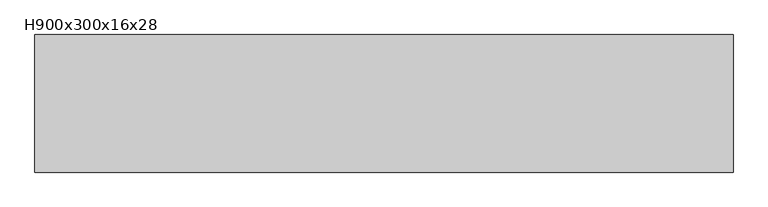
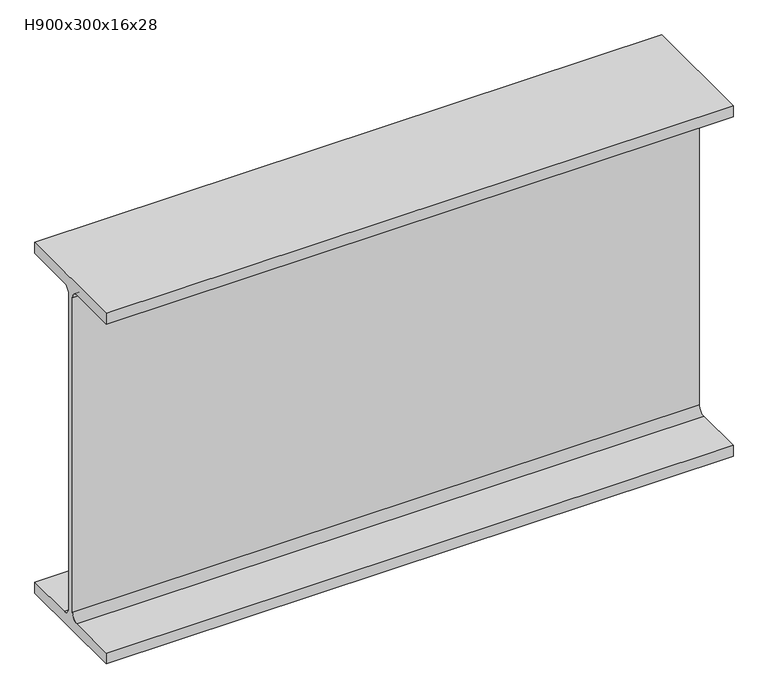
"""IFC4 building model written with IfcOpenShell, lengths in millimetres: beam geometry, H900x300x16x28."""

from ifc_helpers import new_model, si_unit, point, frame, frame_2d, origin, place, context, project, spatial, polyline, circle_curve, trimmed, segment, composite_curve, outline, extrude, source, transform, mapped, element, save


def h900x300x16x28_71f04051(model_context):
    return source(origin(), model_context, "Body", "SweptSolid", [
        extrude(outline(composite_curve([segment(polyline([(150.0, -422.0), (150.0, -450.0), (-150.0, -450.0), (-150.0, -422.0), (-26.0, -422.0)]), True, "CONTINUOUS"), segment(trimmed(circle_curve(frame_2d((-26.0, -404.0)), 18.0), [point((-26.0, -422.0))], [point((-8.0, -404.0))], True, "CARTESIAN"), True, "CONTINUOUS"), segment(polyline([(-8.0, -404.0), (-8.0, 404.0)]), True, "CONTINUOUS"), segment(trimmed(circle_curve(frame_2d((-26.0, 404.0)), 18.0), [point((-8.0, 404.0))], [point((-26.0, 422.0))], True, "CARTESIAN"), True, "CONTINUOUS"), segment(polyline([(-26.0, 422.0), (-150.0, 422.0), (-150.0, 450.0), (150.0, 450.0), (150.0, 422.0), (26.0, 422.0)]), True, "CONTINUOUS"), segment(trimmed(circle_curve(frame_2d((26.0, 404.0)), 18.0), [point((26.0, 422.0))], [point((8.0, 404.0))], True, "CARTESIAN"), True, "CONTINUOUS"), segment(polyline([(8.0, 404.0), (8.0, -404.0)]), True, "CONTINUOUS"), segment(trimmed(circle_curve(frame_2d((26.0, -404.0)), 18.0), [point((8.0, -404.0))], [point((26.0, -422.0))], True, "CARTESIAN"), True, "CONTINUOUS"), segment(polyline([(26.0, -422.0), (150.0, -422.0)]), True, "CONTINUOUS")], self_intersect=False)), frame((-164.8084072, 0.0, 0.0), z_axis=(1.0, 0.0, 0.0), x_axis=(0.0, 1.0, 0.0)), (0.0, 0.0, 1.0), 1522.1106984),
    ])


if __name__ == "__main__":
    model = new_model("IFC4")
    model_context = context("Model", 3, world=origin())
    ifc_project = project(units=[si_unit("LENGTHUNIT", "METRE", prefix="MILLI")], contexts=[model_context])
    site = spatial("IfcSite", under=ifc_project)
    building = spatial("IfcBuilding", under=site)
    placement = place(None, origin())
    h900x300x16x28_shape = h900x300x16x28_71f04051(model_context)
    element("IfcBeam", 1, ObjectType="H900x300x16x28", at=placement, inside=building, context=model_context, shape_type="MappedRepresentation", body=[
        mapped(h900x300x16x28_shape, transform((0.0, 0.0, 0.0), x_axis=(1.0, 0.0, 0.0), y_axis=(0.0, 1.0, 0.0), z_axis=(0.0, 0.0, 1.0))),
    ])
    save(model, "model.ifc")
